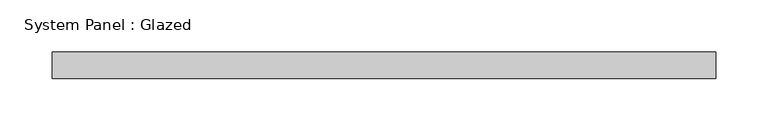
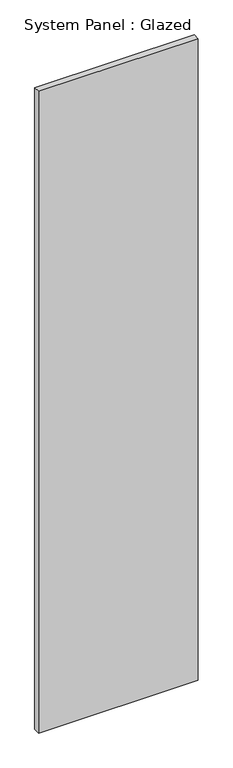
"""IFC4 building model written with IfcOpenShell, lengths in millimetres: plate geometry, System Panel : Glazed."""

import ifcopenshell
import ifcopenshell.guid

model = None  # the IFC model being written
_history = None  # IfcOwnerHistory: only IFC2X3 demands one
_inside = {}  # id of a spatial element -> (the spatial element, [elements in it])
_under = {}  # id of a project, library or spatial element -> (it, [spatial elements below it])
_declared = {}  # id of a project -> (the project, [libraries it declares])
_typed = {}  # id of a type object -> (the type object, [elements of that type])
_made_of = {}  # id of a material, layer set ... -> (it, [elements and type objects made of it])


def new_model(schema):
    """Start an empty IFC model of exactly this schema.

    Asked for "IFC4X3", IfcOpenShell would pick the latest addendum, in which some entities
    have other attributes; the version numbers below select the first issue.
    IFC2X3 requires an IfcOwnerHistory on every rooted entity: one is made here for all.
    """
    global model, _history
    if schema == "IFC4X3":
        model = ifcopenshell.file(schema_version=(4, 3, 0, 0))
    else:
        model = ifcopenshell.file(schema=schema)
    _inside.clear()
    _under.clear()
    _declared.clear()
    _typed.clear()
    _made_of.clear()
    _history = None
    if model.schema == "IFC2X3":
        org = make("IfcOrganization", Name="unknown")
        user = make(
            "IfcPersonAndOrganization",
            ThePerson=make("IfcPerson", FamilyName="unknown"),
            TheOrganization=org,
        )
        app = make(
            "IfcApplication",
            ApplicationDeveloper=org,
            Version="unknown",
            ApplicationFullName="unknown",
            ApplicationIdentifier="unknown",
        )
        _history = make(
            "IfcOwnerHistory",
            OwningUser=user,
            OwningApplication=app,
            ChangeAction="ADDED",
            CreationDate=0,
        )
    return model


def make(cls, **values):
    """One entity of the class cls with the attributes given. An attribute that is None is left unset."""
    return model.create_entity(
        cls, **{name: value for name, value in values.items() if value is not None}
    )


def rooted(cls, **values):
    """An entity with a GlobalId (a new one), such as an element, a storey or a relation."""
    return make(cls, GlobalId=ifcopenshell.guid.new(), OwnerHistory=_history, **values)


def si_unit(unit_type, name, prefix=None):
    """IfcSIUnit, for example si_unit("LENGTHUNIT", "METRE", prefix="MILLI")."""
    return make("IfcSIUnit", UnitType=unit_type, Prefix=prefix, Name=name)


def assignment(units):
    """IfcUnitAssignment: the units of a project."""
    return None if units is None else make("IfcUnitAssignment", Units=units)


def point(xyz):
    """IfcCartesianPoint."""
    return None if xyz is None else make("IfcCartesianPoint", Coordinates=xyz)


def direction(xyz):
    """IfcDirection."""
    return None if xyz is None else make("IfcDirection", DirectionRatios=xyz)


def frame(location, z_axis=None, x_axis=None):
    """IfcAxis2Placement3D, a coordinate frame: its origin and axes. An axis left out is left unset."""
    return make(
        "IfcAxis2Placement3D",
        Location=point(location),
        Axis=direction(z_axis),
        RefDirection=direction(x_axis),
    )


def origin():
    """The frame at (0, 0, 0) with its axes left unset."""
    return frame((0.0, 0.0, 0.0))


def origin_with_axes():
    """The frame at (0, 0, 0) with the z axis (0, 0, 1) and the x axis (1, 0, 0) written out."""
    return frame((0.0, 0.0, 0.0), z_axis=(0.0, 0.0, 1.0), x_axis=(1.0, 0.0, 0.0))


def place(relative_to, where):
    """IfcLocalPlacement: puts the frame where relative to a parent placement (None: the world)."""
    return make(
        "IfcLocalPlacement", PlacementRelTo=relative_to, RelativePlacement=where
    )


def context(
    kind, dimensions, precision=None, world=None, true_north=None, identifier=None
):
    """IfcGeometricRepresentationContext, for example the 3D "Model" context."""
    return make(
        "IfcGeometricRepresentationContext",
        ContextIdentifier=identifier,
        ContextType=kind,
        CoordinateSpaceDimension=dimensions,
        Precision=precision,
        WorldCoordinateSystem=world,
        TrueNorth=true_north,
    )


def project(units=None, contexts=None):
    """IfcProject with its units and contexts."""
    return rooted(
        "IfcProject",
        Name="project",
        RepresentationContexts=contexts,
        UnitsInContext=assignment(units),
    )


def spatial(cls, under=None, at=None, **own):
    """A site, building, storey or space (cls), placed at a placement, below another one or the project."""
    s = rooted(cls, ObjectPlacement=at, **own)
    if under is not None:
        _under.setdefault(under.id(), (under, []))[1].append(s)
    return s


def polyline(points):
    """IfcPolyline through the points."""
    return make("IfcPolyline", Points=[point(p) for p in points])


def outline(outer, holes=None, kind="AREA"):
    """IfcArbitraryClosedProfileDef: a profile drawn as a closed curve; with holes, ...WithVoids."""
    if holes is None:
        return make("IfcArbitraryClosedProfileDef", ProfileType=kind, OuterCurve=outer)
    return make(
        "IfcArbitraryProfileDefWithVoids",
        ProfileType=kind,
        OuterCurve=outer,
        InnerCurves=holes,
    )


def extrude(swept, where, along, depth):
    """IfcExtrudedAreaSolid: the profile swept, set in the frame where, extruded along a direction by depth."""
    return make(
        "IfcExtrudedAreaSolid",
        SweptArea=swept,
        Position=where,
        ExtrudedDirection=direction(along),
        Depth=depth,
    )


def shape(context_of_items, identifier, shape_type, items):
    """IfcShapeRepresentation: the items that make up one representation, for example the "Body"."""
    return make(
        "IfcShapeRepresentation",
        ContextOfItems=context_of_items,
        RepresentationIdentifier=identifier,
        RepresentationType=shape_type,
        Items=items,
    )


def source(mapping_origin, context_of_items, identifier, shape_type, items):
    """IfcRepresentationMap: a shape defined once, which mapped items show again and again."""
    return make(
        "IfcRepresentationMap",
        MappingOrigin=mapping_origin,
        MappedRepresentation=shape(context_of_items, identifier, shape_type, items),
    )


def transform(
    local_origin,
    x_axis=None,
    y_axis=None,
    z_axis=None,
    scale=None,
    scale2=None,
    scale3=None,
    uniform=True,
):
    """IfcCartesianTransformationOperator3D, or its non-uniform kind. x_axis, y_axis, z_axis: its Axis1, 2, 3."""
    if uniform:
        return make(
            "IfcCartesianTransformationOperator3D",
            Axis1=direction(x_axis),
            Axis2=direction(y_axis),
            LocalOrigin=point(local_origin),
            Scale=scale,
            Axis3=direction(z_axis),
        )
    return make(
        "IfcCartesianTransformationOperator3DnonUniform",
        Axis1=direction(x_axis),
        Axis2=direction(y_axis),
        LocalOrigin=point(local_origin),
        Scale=scale,
        Axis3=direction(z_axis),
        Scale2=scale2,
        Scale3=scale3,
    )


def mapped(mapping_source, mapping_target):
    """IfcMappedItem: shows the shape of a source again, moved by a transform."""
    return make(
        "IfcMappedItem", MappingSource=mapping_source, MappingTarget=mapping_target
    )


def made_of(thing, what):
    """Note that an element or type object is made of a material, layer set ...; save() writes the relation."""
    if what is not None:
        _made_of.setdefault(what.id(), (what, []))[1].append(thing)
    return thing


def element(
    cls,
    number,
    at=None,
    inside=None,
    cuts=None,
    type_object=None,
    material=None,
    context=None,
    identifier="Body",
    shape_type=None,
    held_by="IfcProductDefinitionShape",
    body=None,
    shapes=None,
    **own,
):
    """One element of the class cls, such as IfcWall. Its Tag is "e" and its number.

    at: its placement. inside: the storey or other place that contains it. cuts: it is an
    opening in that element (IfcRelVoidsElement). A single representation is given by context,
    identifier, shape_type and body (its items); several are given by shapes. held_by: the class
    of the entity that holds the representations. save() writes the other relations.
    """
    e = rooted(cls, Tag="e%d" % number, ObjectPlacement=at, **own)
    if body is not None:
        shapes = [shape(context, identifier, shape_type, body)]
    if shapes is not None:
        e.Representation = make(held_by, Representations=shapes)
    if inside is not None:
        _inside.setdefault(inside.id(), (inside, []))[1].append(e)
    if cuts is not None:
        rooted(
            "IfcRelVoidsElement", RelatingBuildingElement=cuts, RelatedOpeningElement=e
        )
    if type_object is not None:
        _typed.setdefault(type_object.id(), (type_object, []))[1].append(e)
    return made_of(e, material)


def aggregate(whole, parts):
    """IfcRelAggregates: a whole, such as a stair, and the parts it consists of."""
    return rooted("IfcRelAggregates", RelatingObject=whole, RelatedObjects=parts)


def save(model, path):
    """Write the relations noted so far, then the file.

    IfcRelAggregates (storeys below a building ...), IfcRelContainedInSpatialStructure (elements
    in a storey), IfcRelDefinesByType, IfcRelAssociatesMaterial and IfcRelDeclares: one each for
    every whole, place, type object, material and project.
    """
    for whole, parts in _under.values():
        aggregate(whole, parts)
    for where, things in _inside.values():
        rooted(
            "IfcRelContainedInSpatialStructure",
            RelatedElements=things,
            RelatingStructure=where,
        )
    for kind, things in _typed.values():
        rooted("IfcRelDefinesByType", RelatedObjects=things, RelatingType=kind)
    for what, things in _made_of.values():
        rooted("IfcRelAssociatesMaterial", RelatedObjects=things, RelatingMaterial=what)
    for by, libraries in _declared.values():
        rooted("IfcRelDeclares", RelatingContext=by, RelatedDefinitions=libraries)
    model.write(path)


def system_panel_glazed_ba6d21a3(model_context):
    return source(origin(), model_context, "Body", "SweptSolid", [
        extrude(outline(polyline([(316.8479056, 24.5), (-316.8479056, 24.5), (-316.8479056, 49.5), (316.8479056, 49.5), (316.8479056, 24.5)])), origin_with_axes(), (0.0, 0.0, 1.0), 2690.0),
    ])


if __name__ == "__main__":
    model = new_model("IFC4")
    model_context = context("Model", 3, world=origin())
    ifc_project = project(units=[si_unit("LENGTHUNIT", "METRE", prefix="MILLI")], contexts=[model_context])
    site = spatial("IfcSite", under=ifc_project)
    building = spatial("IfcBuilding", under=site)
    placement = place(None, origin())
    system_panel_glazed_shape = system_panel_glazed_ba6d21a3(model_context)
    element("IfcPlate", 1, ObjectType="System Panel : Glazed", at=placement, inside=building, context=model_context, shape_type="MappedRepresentation", body=[
        mapped(system_panel_glazed_shape, transform((0.0, 0.0, 0.0), x_axis=(1.0, 0.0, 0.0), y_axis=(0.0, 1.0, 0.0), z_axis=(0.0, 0.0, 1.0))),
    ])
    save(model, "model.ifc")
